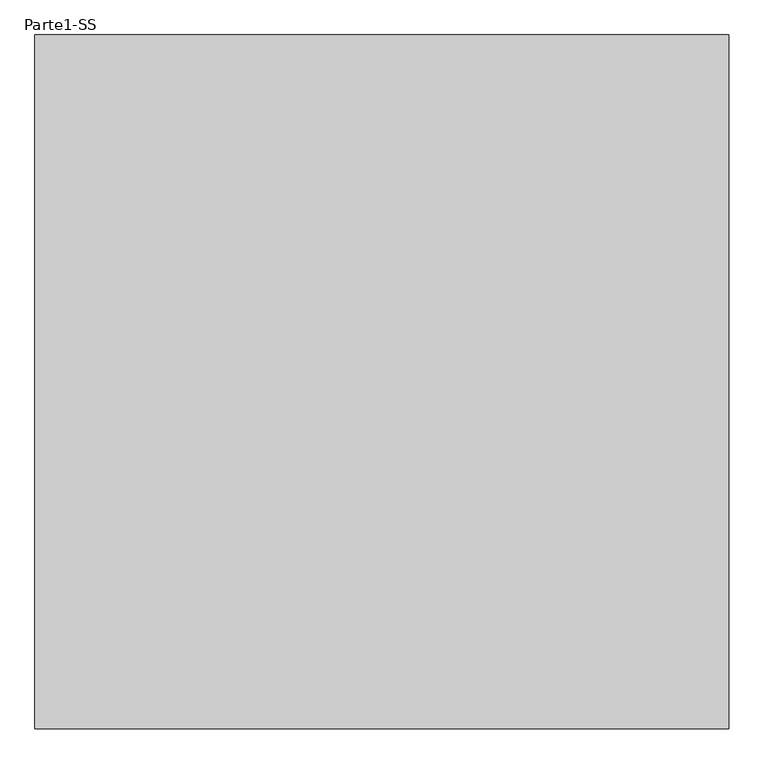
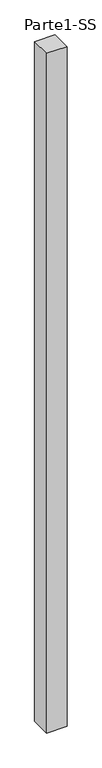
"""IFC4 building model written with IfcOpenShell, lengths in millimetres: proxy geometry, Parte1-SS."""

from ifc_helpers import new_model, si_unit, frame, origin, place, context, project, spatial, polyline, outline, extrude, source, transform, mapped, element, save


def parte1_ss_800daee5(model_context):
    return source(origin(), model_context, "Body", "SweptSolid", [
        extrude(outline(polyline([(2000.0, 2000.0), (2000.0, 0.0), (0.0, 0.0), (0.0, 2000.0), (2000.0, 2000.0)])), frame((0.0, 0.0, 5000.0), z_axis=(0.0, 0.0, 1.0), x_axis=(1.0, 0.0, 0.0)), (0.0, 0.0, 1.0), 70000.0),
    ])


if __name__ == "__main__":
    model = new_model("IFC4")
    model_context = context("Model", 3, world=origin())
    ifc_project = project(units=[si_unit("LENGTHUNIT", "METRE", prefix="MILLI")], contexts=[model_context])
    site = spatial("IfcSite", under=ifc_project)
    building = spatial("IfcBuilding", under=site)
    placement = place(None, origin())
    parte1_ss_shape = parte1_ss_800daee5(model_context)
    element("IfcBuildingElementProxy", 1, Name="Parte1-SS", ObjectType="Parte1-SS", at=placement, inside=building, context=model_context, shape_type="MappedRepresentation", body=[
        mapped(parte1_ss_shape, transform((0.0, 0.0, 0.0), x_axis=(1.0, 0.0, 0.0), y_axis=(0.0, 1.0, 0.0), z_axis=(0.0, 0.0, 1.0))),
    ])
    save(model, "model.ifc")
